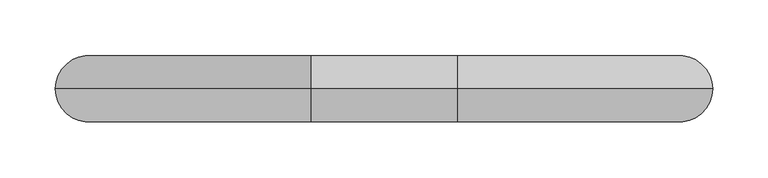
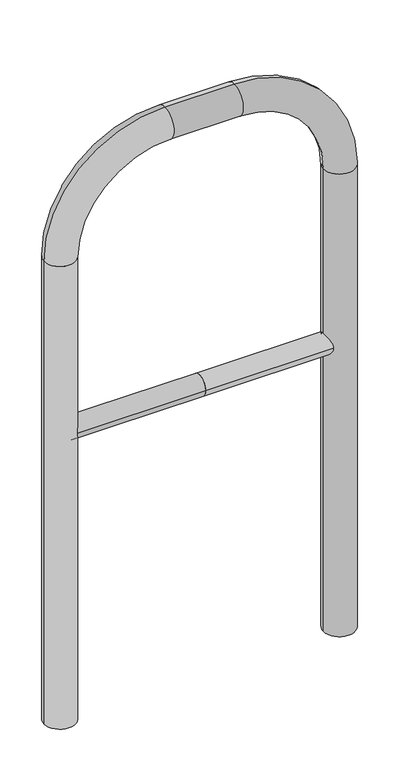
"""IFC4 building model written with IfcOpenShell, lengths in millimetres: proxy geometry."""

from ifc_helpers import new_model, si_unit, point, frame, frame_2d, origin, place, context, project, spatial, circle_curve, ellipse_curve, trimmed, segment, composite_curve, outline, extrude, source, transform, mapped, element, save
from ifc_brep_helpers import plane_surface, cylinder_surface, revolved_surface, advanced_brep


def generic_models_914618ab(model_context):
    return source(origin(), model_context, "Body", "SolidModel", [
        extrude(outline(composite_curve([segment(trimmed(circle_curve(frame_2d((0.0, 498.4778375)), 20.0), [point((-20.0, 498.4778375))], [point((20.0, 498.4778375))], False, "CARTESIAN"), True, "CONTINUOUS"), segment(trimmed(circle_curve(frame_2d((0.0, 498.4778375)), 20.0), [point((20.0, 498.4778375))], [point((-20.0, 498.4778375))], False, "CARTESIAN"), True, "CONTINUOUS")], self_intersect=False)), frame((-266.0179348, 0.0, 0.0), z_axis=(1.0, 0.0, 0.0), x_axis=(0.0, 1.0, 0.0)), (0.0, 0.0, 1.0), 266.0179348),
        extrude(outline(composite_curve([segment(trimmed(circle_curve(frame_2d((0.0, 498.4778375)), 20.0), [point((-20.0, 498.4778375))], [point((20.0, 498.4778375))], False, "CARTESIAN"), True, "CONTINUOUS"), segment(trimmed(circle_curve(frame_2d((0.0, 498.4778375)), 20.0), [point((20.0, 498.4778375))], [point((-20.0, 498.4778375))], False, "CARTESIAN"), True, "CONTINUOUS")], self_intersect=False)), frame((0.0, 0.0, 0.0), z_axis=(1.0, 0.0, 0.0), x_axis=(0.0, 1.0, 0.0)), (0.0, 0.0, 1.0), 266.0179348),
        advanced_brep(
        [(-236.0179348, 0.0, -80.0), (-296.0179348, 0.0, -80.0), (-236.0179348, 0.0, 850.0), (-296.0179348, 0.0, 850.0), (-66.0179348, 0.0, 1080.0), (-66.0179348, 0.0, 1020.0), (66.0179348, 0.0, 1020.0), (66.0179348, 0.0, 1080.0), (296.0179348, 0.0, 850.0), (236.0179348, 0.0, 850.0), (236.0179348, 0.0, -80.0), (296.0179348, 0.0, -80.0)],
        [
            (0, 1, circle_curve(frame((-266.0179348, 0.0, -80.0), z_axis=(0.0, 0.0, -1.0), x_axis=(-1.0, 0.0, 0.0)), 30.0)),
            (1, 0, circle_curve(frame((-266.0179348, 0.0, -80.0), z_axis=(0.0, 0.0, -1.0), x_axis=(-1.0, 0.0, 0.0)), 30.0)),
            (0, 2),
            (2, 3, circle_curve(frame((-266.0179348, 0.0, 850.0), z_axis=(0.0, 0.0, -1.0), x_axis=(-1.0, 0.0, 0.0)), 30.0)),
            (3, 1),
            (3, 2, circle_curve(frame((-266.0179348, 0.0, 850.0), z_axis=(0.0, 0.0, -1.0), x_axis=(-1.0, 0.0, 0.0)), 30.0)),
            (4, 3, circle_curve(frame((-66.0179348, 0.0, 850.0), z_axis=(0.0, -1.0, 0.0), x_axis=(-1.0, 0.0, 0.0)), 230.0)),
            (2, 5, circle_curve(frame((-66.0179348, 0.0, 850.0), z_axis=(0.0, 1.0, 0.0), x_axis=(-1.0, 0.0, 0.0)), 170.0)),
            (5, 4, circle_curve(frame((-66.0179348, 0.0, 1050.0), z_axis=(-1.0, 0.0, 0.0), x_axis=(0.0, 0.0, 1.0)), 30.0)),
            (4, 5, circle_curve(frame((-66.0179348, 0.0, 1050.0), z_axis=(-1.0, 0.0, 0.0), x_axis=(0.0, 0.0, 1.0)), 30.0)),
            (5, 6),
            (6, 7, circle_curve(frame((66.0179348, 0.0, 1050.0), z_axis=(-1.0, 0.0, 0.0), x_axis=(0.0, 0.0, 1.0)), 30.0)),
            (7, 4),
            (7, 6, circle_curve(frame((66.0179348, 0.0, 1050.0), z_axis=(-1.0, 0.0, 0.0), x_axis=(0.0, 0.0, 1.0)), 30.0)),
            (8, 7, circle_curve(frame((66.0179348, 0.0, 850.0), z_axis=(0.0, -1.0, 0.0), x_axis=(0.0, 0.0, 1.0)), 230.0)),
            (6, 9, circle_curve(frame((66.0179348, 0.0, 850.0), z_axis=(0.0, 1.0, 0.0), x_axis=(0.0, 0.0, 1.0)), 170.0)),
            (9, 8, circle_curve(frame((266.0179348, 0.0, 850.0), z_axis=(0.0, 0.0, 1.0), x_axis=(1.0, 0.0, 0.0)), 30.0)),
            (8, 9, circle_curve(frame((266.0179348, 0.0, 850.0), z_axis=(0.0, 0.0, 1.0), x_axis=(1.0, 0.0, 0.0)), 30.0)),
            (10, 11, circle_curve(frame((266.0179348, 0.0, -80.0), z_axis=(0.0, 0.0, -1.0), x_axis=(1.0, 0.0, 0.0)), 30.0)),
            (11, 10, circle_curve(frame((266.0179348, 0.0, -80.0), z_axis=(0.0, 0.0, -1.0), x_axis=(1.0, 0.0, 0.0)), 30.0)),
            (9, 10),
            (11, 8),
        ],
        [
            plane_surface(frame((-266.0179348, 0.0, -80.0), z_axis=(0.0, 0.0, -1.0), x_axis=(0.0, -1.0, 0.0))),
            cylinder_surface(frame((-266.0179348, 0.0, -80.0), z_axis=(0.0, 0.0, -1.0), x_axis=(-1.0, 0.0, 0.0)), 30.0),
            revolved_surface(trimmed(ellipse_curve(frame((-266.0179348, 0.0, 850.0), z_axis=(0.0, 0.0, -1.0), x_axis=(-1.0, 0.0, 0.0)), 30.0, 30.0), [point((-236.0179348, 0.0, 850.0))], [point((-296.0179348, 0.0, 850.0))], True, "CARTESIAN"), (-66.0179348, 0.0, 850.0), (0.0, 1.0, 0.0)),
            revolved_surface(trimmed(ellipse_curve(frame((-266.0179348, 0.0, 850.0), z_axis=(0.0, 0.0, -1.0), x_axis=(-1.0, 0.0, 0.0)), 30.0, 30.0), [point((-296.0179348, 0.0, 850.0))], [point((-236.0179348, 0.0, 850.0))], True, "CARTESIAN"), (-66.0179348, 0.0, 850.0), (0.0, 1.0, 0.0)),
            cylinder_surface(frame((-66.0179348, 0.0, 1050.0), z_axis=(-1.0, 0.0, 0.0), x_axis=(0.0, 0.0, 1.0)), 30.0),
            revolved_surface(trimmed(ellipse_curve(frame((66.0179348, 0.0, 1050.0), z_axis=(-1.0, 0.0, 0.0), x_axis=(0.0, 0.0, 1.0)), 30.0, 30.0), [point((66.0179348, 0.0, 1020.0))], [point((66.0179348, 0.0, 1080.0))], True, "CARTESIAN"), (66.0179348, 0.0, 850.0), (0.0, 1.0, 0.0)),
            revolved_surface(trimmed(ellipse_curve(frame((66.0179348, 0.0, 1050.0), z_axis=(-1.0, 0.0, 0.0), x_axis=(0.0, 0.0, 1.0)), 30.0, 30.0), [point((66.0179348, 0.0, 1080.0))], [point((66.0179348, 0.0, 1020.0))], True, "CARTESIAN"), (66.0179348, 0.0, 850.0), (0.0, 1.0, 0.0)),
            plane_surface(frame((266.0179348, 0.0, -80.0), z_axis=(0.0, 0.0, -1.0), x_axis=(0.0, -1.0, 0.0))),
            cylinder_surface(frame((266.0179348, 0.0, 850.0), z_axis=(0.0, 0.0, 1.0), x_axis=(1.0, 0.0, 0.0)), 30.0),
        ],
        [
            (0, [[1, 2]]),
            (1, [[-1, 3, 4, 5]]),
            (1, [[-2, -5, 6, -3]]),
            (2, [[7, -4, 8, 9]]),
            (3, [[-8, -6, -7, 10]]),
            (4, [[-9, 11, 12, 13]]),
            (4, [[-10, -13, 14, -11]]),
            (5, [[15, -12, 16, 17]]),
            (6, [[-16, -14, -15, 18]]),
            (7, [[19, 20]]),
            (8, [[-17, 21, -20, 22]]),
            (8, [[-18, -22, -19, -21]]),
        ],
    ),
    ])


if __name__ == "__main__":
    model = new_model("IFC4")
    model_context = context("Model", 3, world=origin())
    ifc_project = project(units=[si_unit("LENGTHUNIT", "METRE", prefix="MILLI")], contexts=[model_context])
    site = spatial("IfcSite", under=ifc_project)
    building = spatial("IfcBuilding", under=site)
    placement = place(None, origin())
    generic_models_shape = generic_models_914618ab(model_context)
    element("IfcBuildingElementProxy", 1, Name="Generic Models", at=placement, inside=building, context=model_context, shape_type="MappedRepresentation", body=[
        mapped(generic_models_shape, transform((0.0, 0.0, 0.0), x_axis=(1.0, 0.0, 0.0), y_axis=(0.0, 1.0, 0.0), z_axis=(0.0, 0.0, 1.0))),
    ])
    save(model, "model.ifc")
